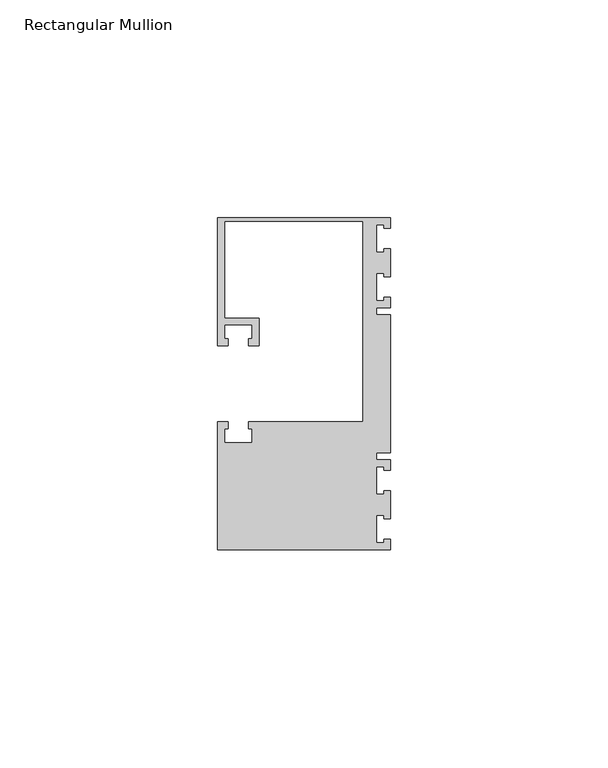
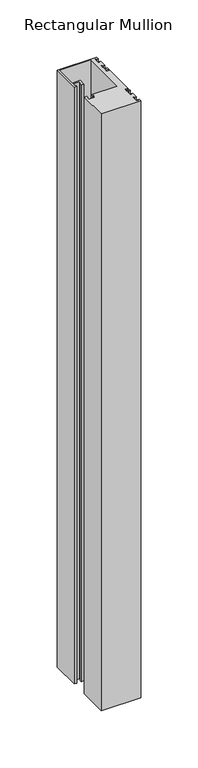
"""IFC4 building model written with IfcOpenShell, lengths in millimetres: member geometry, Rectangular Mullion."""

from ifc_helpers import new_model, si_unit, frame, origin, place, context, project, spatial, polyline, outline, extrude, source, transform, mapped, element, save


def rectangular_mullion_29362582(model_context):
    return source(origin(), model_context, "Body", "SweptSolid", [
        extrude(outline(polyline([(0.0, 38.1), (0.0, 35.71875), (-1.4999946, 35.71875), (-1.4999946, 36.5125), (-3.175, 36.5125), (-3.175, 30.1625), (-1.4999946, 30.1625), (-1.4999946, 30.95625), (0.0, 30.95625), (0.0, 24.60625), (-1.4999946, 24.60625), (-1.4999946, 25.4), (-3.175, 25.4), (-3.175, 19.05), (-1.4999946, 19.05), (-1.4999946, 19.84375), (0.0, 19.84375), (0.0, 17.4625), (-3.175, 17.4625), (-3.175, 15.875), (0.0, 15.875), (0.0, -15.875), (-3.175, -15.875), (-3.175, -17.4625), (0.0, -17.4625), (0.0, -19.84375), (-1.4999946, -19.84375), (-1.4999946, -19.05), (-3.175, -19.05), (-3.175, -25.4), (-1.4999946, -25.4), (-1.4999946, -24.60625), (0.0, -24.60625), (0.0, -30.95625), (-1.4999946, -30.95625), (-1.4999946, -30.1625), (-3.175, -30.1625), (-3.175, -36.5125), (-1.4999946, -36.5125), (-1.4999946, -35.71875), (0.0, -35.71875), (0.0, -38.1), (-39.6875, -38.1), (-39.6875, -8.73125), (-37.30625, -8.73125), (-37.30625, -10.31875), (-38.1, -10.31875), (-38.1, -13.49375), (-31.75, -13.49375), (-31.75, -10.31875), (-32.54375, -10.31875), (-32.54375, -8.73125), (-6.35, -8.73125), (-6.35, 37.30625), (-38.1, 37.30625), (-38.1, 15.08125), (-30.1625, 15.08125), (-30.1625, 8.73125), (-32.54375, 8.73125), (-32.54375, 10.31875), (-31.75, 10.31875), (-31.75, 13.49375), (-38.1, 13.49375), (-38.1, 10.31875), (-37.30625, 10.31875), (-37.30625, 8.73125), (-39.6875, 8.73125), (-39.6875, 38.1), (0.0, 38.1)])), frame((0.0, 0.0, -635.0), z_axis=(0.0, 0.0, 1.0), x_axis=(1.0, 0.0, 0.0)), (0.0, 0.0, 1.0), 635.0),
    ])


if __name__ == "__main__":
    model = new_model("IFC4")
    model_context = context("Model", 3, world=origin())
    ifc_project = project(units=[si_unit("LENGTHUNIT", "METRE", prefix="MILLI")], contexts=[model_context])
    site = spatial("IfcSite", under=ifc_project)
    building = spatial("IfcBuilding", under=site)
    placement = place(None, origin())
    rectangular_mullion_shape = rectangular_mullion_29362582(model_context)
    element("IfcMember", 1, ObjectType="Rectangular Mullion", at=placement, inside=building, context=model_context, shape_type="MappedRepresentation", body=[
        mapped(rectangular_mullion_shape, transform((0.0, 0.0, 0.0), x_axis=(1.0, 0.0, 0.0), y_axis=(0.0, 1.0, 0.0), z_axis=(0.0, 0.0, 1.0))),
    ])
    save(model, "model.ifc")
